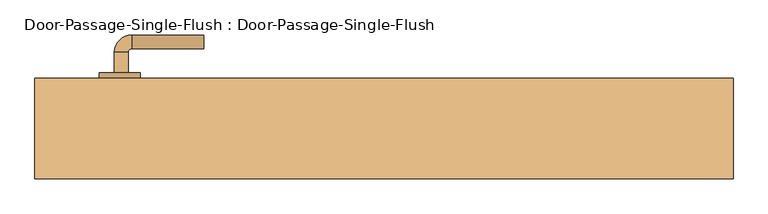
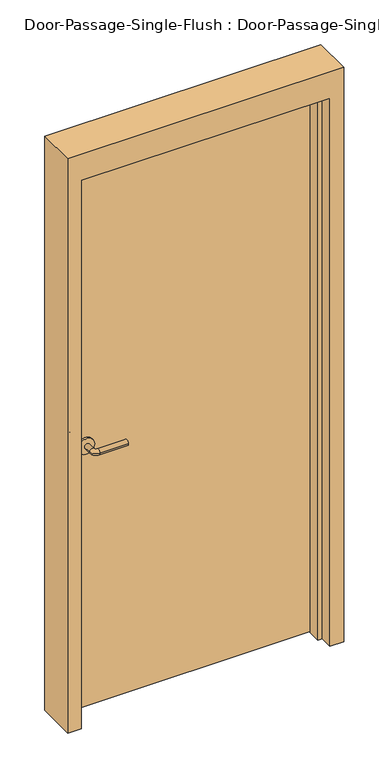
"""IFC4 building model written with IfcOpenShell, lengths in millimetres: door geometry, Door-Passage-Single-Flush : Door-Passage-Single-Flush."""

from ifc_helpers import new_model, si_unit, point, frame, frame_2d, origin, origin_with_axes, place, context, project, spatial, polyline, circle_curve, ellipse_curve, trimmed, segment, composite_curve, outline, extrude, faceted_brep, source, transform, mapped, element, save
from ifc_brep_helpers import plane_surface, cylinder_surface, revolved_surface, advanced_brep


def door_passage_single_flush_door_passage_single_flush_70ceb761(model_context):
    return source(origin(), model_context, "Body", "SolidModel", [
        advanced_brep(
        [(-392.190625, 4.7, 1016.0), (-372.190625, 4.7, 1016.0), (-372.190625, -25.3, 1016.0), (-392.190625, -25.3, 1016.0), (-367.190625, -30.3, 1016.0), (-367.190625, -50.3, 1016.0), (-262.190625, -50.3, 1016.0), (-262.190625, -30.3, 1016.0)],
        [
            (0, 1, circle_curve(frame((-382.190625, 4.7, 1016.0), z_axis=(0.0, 1.0, 0.0), x_axis=(1.0, 0.0, 0.0)), 10.0)),
            (1, 0, circle_curve(frame((-382.190625, 4.7, 1016.0), z_axis=(0.0, 1.0, 0.0), x_axis=(1.0, 0.0, 0.0)), 10.0)),
            (1, 2),
            (2, 3, circle_curve(frame((-382.190625, -25.3, 1016.0), z_axis=(0.0, 1.0, 0.0), x_axis=(1.0, 0.0, 0.0)), 10.0)),
            (3, 0),
            (3, 2, circle_curve(frame((-382.190625, -25.3, 1016.0), z_axis=(0.0, 1.0, 0.0), x_axis=(1.0, 0.0, 0.0)), 10.0)),
            (4, 5, circle_curve(frame((-367.190625, -40.3, 1016.0), z_axis=(-1.0, 0.0, 0.0), x_axis=(0.0, 1.0, 0.0)), 10.0)),
            (5, 3, circle_curve(frame((-367.190625, -25.3, 1016.0), z_axis=(0.0, 0.0, -1.0), x_axis=(-1.0, 0.0, 0.0)), 25.0)),
            (2, 4, circle_curve(frame((-367.190625, -25.3, 1016.0), z_axis=(0.0, 0.0, 1.0), x_axis=(-1.0, 0.0, 0.0)), 5.0)),
            (5, 4, circle_curve(frame((-367.190625, -40.3, 1016.0), z_axis=(-1.0, 0.0, 0.0), x_axis=(0.0, 1.0, 0.0)), 10.0)),
            (6, 7, circle_curve(frame((-262.190625, -40.3, 1016.0), z_axis=(1.0, 0.0, 0.0), x_axis=(0.0, 1.0, 0.0)), 10.0)),
            (7, 6, circle_curve(frame((-262.190625, -40.3, 1016.0), z_axis=(1.0, 0.0, 0.0), x_axis=(0.0, 1.0, 0.0)), 10.0)),
            (4, 7),
            (6, 5),
        ],
        [
            plane_surface(frame((-382.190625, 4.7, 1016.0), z_axis=(0.0, 1.0, 0.0), x_axis=(0.0, 0.0, 1.0))),
            cylinder_surface(frame((-382.190625, 4.7, 1016.0), z_axis=(0.0, 1.0, 0.0), x_axis=(1.0, 0.0, 0.0)), 10.0),
            revolved_surface(trimmed(ellipse_curve(frame((-382.190625, -25.3, 1016.0), z_axis=(0.0, -1.0, 0.0), x_axis=(1.0, 0.0, 0.0)), 10.0, 10.0), [point((-392.190625, -25.3, 1016.0))], [point((-372.190625, -25.3, 1016.0))], True, "CARTESIAN"), (-367.190625, -25.3, 1016.0), (0.0, 0.0, -1.0)),
            revolved_surface(trimmed(ellipse_curve(frame((-382.190625, -25.3, 1016.0), z_axis=(0.0, -1.0, 0.0), x_axis=(1.0, 0.0, 0.0)), 10.0, 10.0), [point((-372.190625, -25.3, 1016.0))], [point((-392.190625, -25.3, 1016.0))], True, "CARTESIAN"), (-367.190625, -25.3, 1016.0), (0.0, 0.0, -1.0)),
            plane_surface(frame((-262.190625, -40.3, 1016.0), z_axis=(1.0, 0.0, 0.0), x_axis=(0.0, 0.0, 1.0))),
            cylinder_surface(frame((-367.190625, -40.3, 1016.0), z_axis=(-1.0, 0.0, 0.0), x_axis=(0.0, 1.0, 0.0)), 10.0),
        ],
        [
            (0, [[1, 2]]),
            (1, [[3, 4, 5, -2]]),
            (1, [[-5, 6, -3, -1]]),
            (2, [[7, 8, -4, 9]]),
            (3, [[10, -9, -6, -8]]),
            (4, [[11, 12]]),
            (5, [[13, -11, 14, -7]]),
            (5, [[-14, -12, -13, -10]]),
        ],
    ),
        extrude(outline(composite_curve([segment(trimmed(circle_curve(frame_2d((1016.0, -384.690625)), 30.0), [point((1016.0, -414.690625))], [point((1016.0, -354.690625))], False, "CARTESIAN"), True, "CONTINUOUS"), segment(trimmed(circle_curve(frame_2d((1016.0, -384.690625)), 30.0), [point((1016.0, -354.690625))], [point((1016.0, -414.690625))], False, "CARTESIAN"), True, "CONTINUOUS")], self_intersect=False)), frame((0.0, 4.7, 0.0), z_axis=(0.0, 1.0, 0.0), x_axis=(0.0, 0.0, 1.0)), (0.0, 0.0, 1.0), 8.0),
        advanced_brep(
        [(-392.190625, 65.15, 1016.0), (-372.190625, 65.15, 1016.0), (-392.190625, 95.15, 1016.0), (-372.190625, 95.15, 1016.0), (-367.190625, 100.15, 1016.0), (-367.190625, 120.15, 1016.0), (-262.190625, 120.15, 1016.0), (-262.190625, 100.15, 1016.0)],
        [
            (0, 1, circle_curve(frame((-382.190625, 65.15, 1016.0), z_axis=(0.0, -1.0, 0.0), x_axis=(1.0, 0.0, 0.0)), 10.0)),
            (1, 0, circle_curve(frame((-382.190625, 65.15, 1016.0), z_axis=(0.0, -1.0, 0.0), x_axis=(1.0, 0.0, 0.0)), 10.0)),
            (0, 2),
            (2, 3, circle_curve(frame((-382.190625, 95.15, 1016.0), z_axis=(0.0, -1.0, 0.0), x_axis=(1.0, 0.0, 0.0)), 10.0)),
            (3, 1),
            (3, 2, circle_curve(frame((-382.190625, 95.15, 1016.0), z_axis=(0.0, -1.0, 0.0), x_axis=(1.0, 0.0, 0.0)), 10.0)),
            (4, 3, circle_curve(frame((-367.190625, 95.15, 1016.0), z_axis=(0.0, 0.0, 1.0), x_axis=(-1.0, 0.0, 0.0)), 5.0)),
            (2, 5, circle_curve(frame((-367.190625, 95.15, 1016.0), z_axis=(0.0, 0.0, -1.0), x_axis=(-1.0, 0.0, 0.0)), 25.0)),
            (5, 4, circle_curve(frame((-367.190625, 110.15, 1016.0), z_axis=(-1.0, 0.0, 0.0), x_axis=(0.0, -1.0, 0.0)), 10.0)),
            (4, 5, circle_curve(frame((-367.190625, 110.15, 1016.0), z_axis=(-1.0, 0.0, 0.0), x_axis=(0.0, -1.0, 0.0)), 10.0)),
            (6, 7, circle_curve(frame((-262.190625, 110.15, 1016.0), z_axis=(1.0, 0.0, 0.0), x_axis=(0.0, -1.0, 0.0)), 10.0)),
            (7, 6, circle_curve(frame((-262.190625, 110.15, 1016.0), z_axis=(1.0, 0.0, 0.0), x_axis=(0.0, -1.0, 0.0)), 10.0)),
            (5, 6),
            (7, 4),
        ],
        [
            plane_surface(frame((-382.190625, 65.15, 1016.0), z_axis=(0.0, -1.0, 0.0), x_axis=(0.0, 0.0, 1.0))),
            cylinder_surface(frame((-382.190625, 65.15, 1016.0), z_axis=(0.0, -1.0, 0.0), x_axis=(1.0, 0.0, 0.0)), 10.0),
            revolved_surface(trimmed(ellipse_curve(frame((-382.190625, 95.15, 1016.0), z_axis=(0.0, -1.0, 0.0), x_axis=(1.0, 0.0, 0.0)), 10.0, 10.0), [point((-392.190625, 95.15, 1016.0))], [point((-372.190625, 95.15, 1016.0))], True, "CARTESIAN"), (-367.190625, 95.15, 1016.0), (0.0, 0.0, -1.0)),
            revolved_surface(trimmed(ellipse_curve(frame((-382.190625, 95.15, 1016.0), z_axis=(0.0, -1.0, 0.0), x_axis=(1.0, 0.0, 0.0)), 10.0, 10.0), [point((-372.190625, 95.15, 1016.0))], [point((-392.190625, 95.15, 1016.0))], True, "CARTESIAN"), (-367.190625, 95.15, 1016.0), (0.0, 0.0, -1.0)),
            plane_surface(frame((-262.190625, 110.15, 1016.0), z_axis=(1.0, 0.0, 0.0), x_axis=(0.0, 0.0, 1.0))),
            cylinder_surface(frame((-367.190625, 110.15, 1016.0), z_axis=(-1.0, 0.0, 0.0), x_axis=(0.0, -1.0, 0.0)), 10.0),
        ],
        [
            (0, [[1, 2]]),
            (1, [[-1, 3, 4, 5]]),
            (1, [[-2, -5, 6, -3]]),
            (2, [[7, -4, 8, 9]]),
            (3, [[-8, -6, -7, 10]]),
            (4, [[11, 12]]),
            (5, [[-9, 13, -12, 14]]),
            (5, [[-10, -14, -11, -13]]),
        ],
    ),
        extrude(outline(composite_curve([segment(trimmed(circle_curve(frame_2d((1016.0, -384.690625)), 30.0), [point((1016.0, -414.690625))], [point((1016.0, -354.690625))], False, "CARTESIAN"), True, "CONTINUOUS"), segment(trimmed(circle_curve(frame_2d((1016.0, -384.690625)), 30.0), [point((1016.0, -354.690625))], [point((1016.0, -414.690625))], False, "CARTESIAN"), True, "CONTINUOUS")], self_intersect=False)), frame((0.0, 57.15, 0.0), z_axis=(0.0, 1.0, 0.0), x_axis=(0.0, 0.0, 1.0)), (0.0, 0.0, 1.0), 8.0),
        faceted_brep([(457.2, 7.9375, 0.0), (457.2, 57.15, 0.0), (508.0, 57.15, 0.0), (508.0, -88.9, 0.0), (457.2, -88.9, 0.0), (457.2, -39.6875, 0.0), (441.325, -39.6875, 0.0), (441.325, 7.9375, 0.0), (457.2, 7.9375, 2133.6), (457.2, 57.15, 2133.6), (-457.2, 57.15, 2133.6), (-457.2, 57.15, 0.0), (-508.0, 57.15, 0.0), (-508.0, 57.15, 2235.2), (508.0, 57.15, 2235.2), (508.0, -88.9, 2235.2), (-508.0, -88.9, 2235.2), (-508.0, -88.9, 0.0), (-457.2, -88.9, 0.0), (-457.2, -88.9, 2133.6), (457.2, -88.9, 2133.6), (457.2, -39.6875, 2133.6), (-457.2, -39.6875, 2133.6), (-457.2, -39.6875, 0.0), (-441.325, -39.6875, 0.0), (-441.325, -39.6875, 2117.725), (441.325, -39.6875, 2117.725), (441.325, 7.9375, 2117.725), (-441.325, 7.9375, 2117.725), (-441.325, 7.9375, 0.0), (-457.2, 7.9375, 0.0), (-457.2, 7.9375, 2133.6)], [[[0, 1, 2, 3, 4, 5, 6, 7]], [[1, 0, 8, 9]], [[2, 1, 9, 10, 11, 12, 13, 14]], [[3, 2, 14, 15]], [[4, 3, 15, 16, 17, 18, 19, 20]], [[5, 4, 20, 21]], [[6, 5, 21, 22, 23, 24, 25, 26]], [[7, 6, 26, 27]], [[0, 7, 27, 28, 29, 30, 31, 8]], [[9, 8, 31, 10]], [[20, 19, 22, 21]], [[26, 25, 28, 27]], [[12, 11, 30, 29, 24, 23, 18, 17]], [[11, 10, 31, 30]], [[13, 12, 17, 16]], [[19, 18, 23, 22]], [[25, 24, 29, 28]], [[15, 14, 13, 16]]]),
        extrude(outline(polyline([(457.2, 12.7), (-457.2, 12.7), (-457.2, 57.15), (457.2, 57.15), (457.2, 12.7)])), origin_with_axes(), (0.0, 0.0, 1.0), 2133.6),
    ])


if __name__ == "__main__":
    model = new_model("IFC4")
    model_context = context("Model", 3, world=origin())
    ifc_project = project(units=[si_unit("LENGTHUNIT", "METRE", prefix="MILLI")], contexts=[model_context])
    site = spatial("IfcSite", under=ifc_project)
    building = spatial("IfcBuilding", under=site)
    placement = place(None, origin())
    door_passage_single_flush_door_passage_single_flush_shape = door_passage_single_flush_door_passage_single_flush_70ceb761(model_context)
    element("IfcDoor", 1, ObjectType="Door-Passage-Single-Flush : Door-Passage-Single-Flush", at=placement, inside=building, context=model_context, shape_type="MappedRepresentation", body=[
        mapped(door_passage_single_flush_door_passage_single_flush_shape, transform((0.0, 0.0, 0.0), x_axis=(1.0, 0.0, 0.0), y_axis=(0.0, 1.0, 0.0), z_axis=(0.0, 0.0, 1.0))),
    ])
    save(model, "model.ifc")
